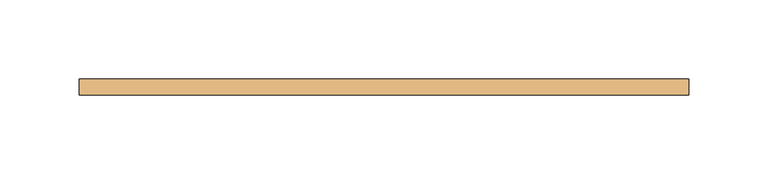
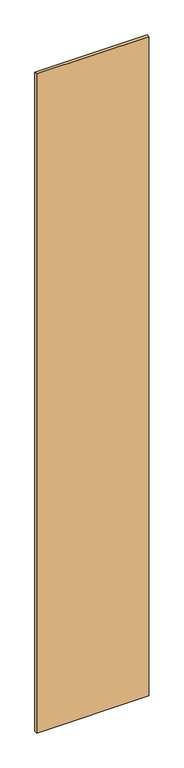
"""IFC4 building model written with IfcOpenShell, lengths in millimetres: door geometry."""

from ifc_helpers import new_model, si_unit, frame, origin, place, context, project, spatial, polyline, outline, extrude, source, transform, mapped, element, save


def door_3850c1d3(model_context):
    return source(origin(), model_context, "Body", "SweptSolid", [
        extrude(outline(polyline([(191.8888889, -5.0), (-191.8888889, -5.0), (-191.8888889, 5.0), (191.8888889, 5.0), (191.8888889, -5.0)])), frame((0.0, 0.0, 78.0), z_axis=(0.0, 0.0, 1.0), x_axis=(1.0, 0.0, 0.0)), (0.0, 0.0, 1.0), 2386.0),
    ])


if __name__ == "__main__":
    model = new_model("IFC4")
    model_context = context("Model", 3, world=origin())
    ifc_project = project(units=[si_unit("LENGTHUNIT", "METRE", prefix="MILLI")], contexts=[model_context])
    site = spatial("IfcSite", under=ifc_project)
    building = spatial("IfcBuilding", under=site)
    placement = place(None, origin())
    door_shape = door_3850c1d3(model_context)
    element("IfcDoor", 1, at=placement, inside=building, context=model_context, shape_type="MappedRepresentation", body=[
        mapped(door_shape, transform((0.0, 0.0, 0.0), x_axis=(1.0, 0.0, 0.0), y_axis=(0.0, 1.0, 0.0), z_axis=(0.0, 0.0, 1.0))),
    ])
    save(model, "model.ifc")
